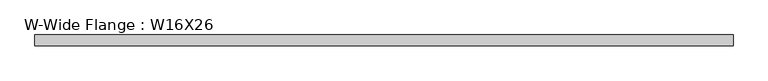
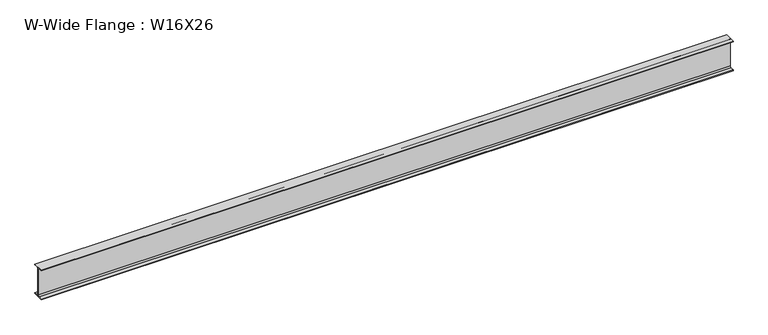
"""IFC4 building model written with IfcOpenShell, lengths in millimetres: beam geometry, W-Wide Flange : W16X26."""

from ifc_helpers import new_model, si_unit, point, frame, frame_2d, origin, place, context, project, spatial, polyline, circle_curve, trimmed, segment, composite_curve, outline, extrude, source, transform, mapped, element, save


def w_wide_flange_w16x26_ec330968(model_context):
    return source(origin(), model_context, "Body", "SweptSolid", [
        extrude(outline(composite_curve([segment(polyline([(69.85, -190.5496094), (69.85, -199.2808594), (-69.85, -199.2808594), (-69.85, -190.5496094), (-21.43125, -190.5496094)]), True, "CONTINUOUS"), segment(trimmed(circle_curve(frame_2d((-21.43125, -172.2933594)), 18.25625), [point((-21.43125, -190.5496094))], [point((-3.175, -172.2933594))], True, "CARTESIAN"), True, "CONTINUOUS"), segment(polyline([(-3.175, -172.2933594), (-3.175, 172.2933594)]), True, "CONTINUOUS"), segment(trimmed(circle_curve(frame_2d((-21.43125, 172.2933594)), 18.25625), [point((-3.175, 172.2933594))], [point((-21.43125, 190.5496094))], True, "CARTESIAN"), True, "CONTINUOUS"), segment(polyline([(-21.43125, 190.5496094), (-69.85, 190.5496094), (-69.85, 199.2808594), (69.85, 199.2808594), (69.85, 190.5496094), (21.43125, 190.5496094)]), True, "CONTINUOUS"), segment(trimmed(circle_curve(frame_2d((21.43125, 172.2933594)), 18.25625), [point((21.43125, 190.5496094))], [point((3.175, 172.2933594))], True, "CARTESIAN"), True, "CONTINUOUS"), segment(polyline([(3.175, 172.2933594), (3.175, -172.2933594)]), True, "CONTINUOUS"), segment(trimmed(circle_curve(frame_2d((21.43125, -172.2933594)), 18.25625), [point((3.175, -172.2933594))], [point((21.43125, -190.5496094))], True, "CARTESIAN"), True, "CONTINUOUS"), segment(polyline([(21.43125, -190.5496094), (69.85, -190.5496094)]), True, "CONTINUOUS")], self_intersect=False)), frame((-4432.3, 0.0, 0.0), z_axis=(1.0, 0.0, 0.0), x_axis=(0.0, 1.0, 0.0)), (0.0, 0.0, 1.0), 8864.6),
    ])


if __name__ == "__main__":
    model = new_model("IFC4")
    model_context = context("Model", 3, world=origin())
    ifc_project = project(units=[si_unit("LENGTHUNIT", "METRE", prefix="MILLI")], contexts=[model_context])
    site = spatial("IfcSite", under=ifc_project)
    building = spatial("IfcBuilding", under=site)
    placement = place(None, origin())
    w_wide_flange_w16x26_shape = w_wide_flange_w16x26_ec330968(model_context)
    element("IfcBeam", 1, ObjectType="W-Wide Flange : W16X26", at=placement, inside=building, context=model_context, shape_type="MappedRepresentation", body=[
        mapped(w_wide_flange_w16x26_shape, transform((0.0, 0.0, 0.0), x_axis=(1.0, 0.0, 0.0), y_axis=(0.0, 1.0, 0.0), z_axis=(0.0, 0.0, 1.0))),
    ])
    save(model, "model.ifc")
